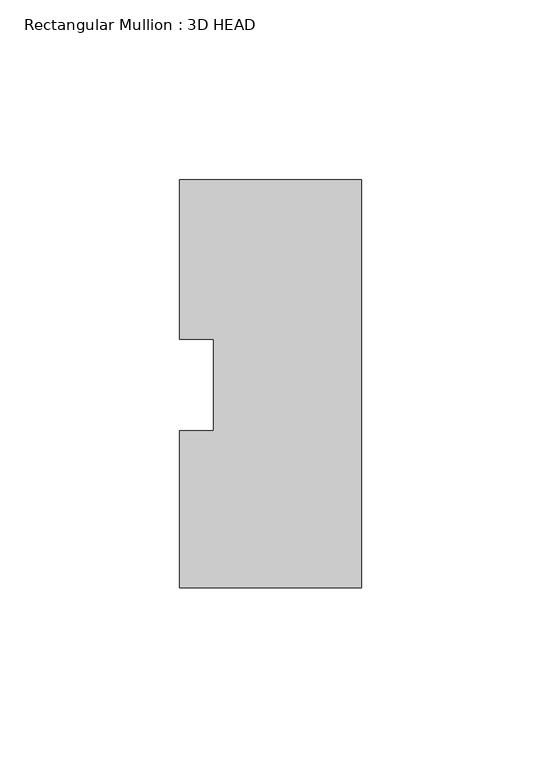
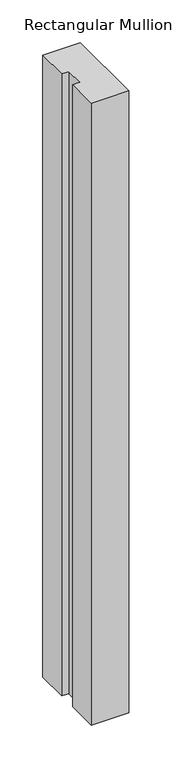
"""IFC4 building model written with IfcOpenShell, lengths in millimetres: member geometry, Rectangular Mullion : 3D HEAD."""

from ifc_helpers import new_model, si_unit, frame, origin, place, context, project, spatial, polyline, outline, extrude, source, transform, mapped, element, save


def rectangular_mullion_3d_head_20d3ada0(model_context):
    return source(origin(), model_context, "Body", "SweptSolid", [
        extrude(outline(polyline([(0.0, -56.4681052), (-50.8, -56.4681052), (-50.8, -12.6827714), (-41.275, -12.6827714), (-41.275, 12.8118553), (-50.8, 12.8118553), (-50.8, 57.2618553), (0.0, 57.2618553), (0.0, -56.4681052)])), frame((0.0, 0.0, -889.0), z_axis=(0.0, 0.0, 1.0), x_axis=(1.0, 0.0, 0.0)), (0.0, 0.0, 1.0), 889.0),
    ])


if __name__ == "__main__":
    model = new_model("IFC4")
    model_context = context("Model", 3, world=origin())
    ifc_project = project(units=[si_unit("LENGTHUNIT", "METRE", prefix="MILLI")], contexts=[model_context])
    site = spatial("IfcSite", under=ifc_project)
    building = spatial("IfcBuilding", under=site)
    placement = place(None, origin())
    rectangular_mullion_3d_head_shape = rectangular_mullion_3d_head_20d3ada0(model_context)
    element("IfcMember", 1, ObjectType="Rectangular Mullion : 3D HEAD", at=placement, inside=building, context=model_context, shape_type="MappedRepresentation", body=[
        mapped(rectangular_mullion_3d_head_shape, transform((0.0, 0.0, 0.0), x_axis=(1.0, 0.0, 0.0), y_axis=(0.0, 1.0, 0.0), z_axis=(0.0, 0.0, 1.0))),
    ])
    save(model, "model.ifc")
